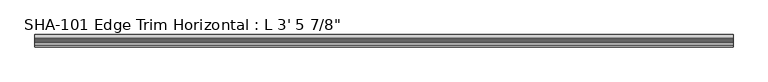
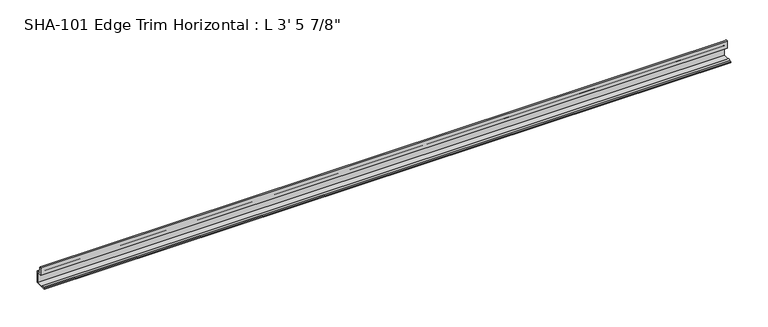
"""IFC4 building model written with IfcOpenShell, lengths in millimetres: proxy geometry."""

from ifc_helpers import new_model, si_unit, point, frame, frame_2d, origin, place, context, project, spatial, polyline, circle_curve, trimmed, segment, composite_curve, outline, extrude, source, transform, mapped, element, save


def proxy_08c4ec2c(model_context):
    return source(origin(), model_context, "Body", "SweptSolid", [
        extrude(outline(composite_curve([segment(polyline([(19.7327081, 0.0), (0.79375, 0.0), (0.79375, 1.5748), (3.8704081, 1.5748)]), True, "CONTINUOUS"), segment(trimmed(circle_curve(frame_2d((5.4452081, 1.5748)), 1.5748), [point((3.8704081, 1.5748))], [point((7.0200081, 1.5748))], False, "CARTESIAN"), True, "CONTINUOUS"), segment(polyline([(7.0200081, 1.5748), (18.1579081, 1.5748), (18.1579081, 16.1798)]), True, "CONTINUOUS"), segment(trimmed(circle_curve(frame_2d((16.8879081, 16.1798)), 1.27), [point((18.1579081, 16.1798))], [point((16.8879081, 17.4498))], True, "CARTESIAN"), True, "CONTINUOUS"), segment(polyline([(16.8879081, 17.4498), (10.2077081, 17.4498), (10.2077081, 29.5346031)]), True, "CONTINUOUS"), segment(trimmed(circle_curve(frame_2d((11.4003846, 28.4438454)), 1.6162393), [point((10.2077081, 29.5346031))], [point((12.5290774, 29.6006869))], False, "CARTESIAN"), True, "CONTINUOUS"), segment(polyline([(12.5290774, 29.6006869), (14.3400511, 19.0246), (19.7327081, 19.0246), (19.7327081, 0.0)]), True, "CONTINUOUS")], self_intersect=False)), frame((0.0, 0.0, 0.0), z_axis=(1.0, 0.0, 0.0), x_axis=(0.0, 1.0, 0.0)), (0.0, 0.0, 1.0), 1063.625),
    ])


if __name__ == "__main__":
    model = new_model("IFC4")
    model_context = context("Model", 3, world=origin())
    ifc_project = project(units=[si_unit("LENGTHUNIT", "METRE", prefix="MILLI")], contexts=[model_context])
    site = spatial("IfcSite", under=ifc_project)
    building = spatial("IfcBuilding", under=site)
    placement = place(None, origin())
    proxy_shape = proxy_08c4ec2c(model_context)
    element("IfcBuildingElementProxy", 1, Name="SHA-101 Edge Trim Horizontal : L 3' 5 7/8\"", ObjectType="SHA-101 Edge Trim Horizontal : L 3' 5 7/8\"", at=placement, inside=building, context=model_context, shape_type="MappedRepresentation", body=[
        mapped(proxy_shape, transform((0.0, 0.0, 0.0), x_axis=(1.0, 0.0, 0.0), y_axis=(0.0, 1.0, 0.0), z_axis=(0.0, 0.0, 1.0))),
    ])
    save(model, "model.ifc")
